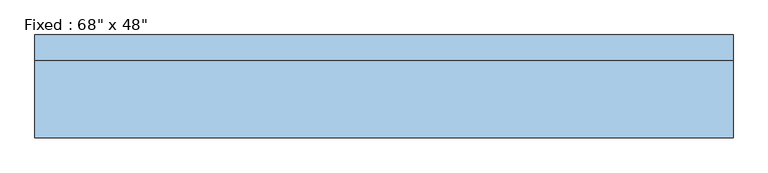
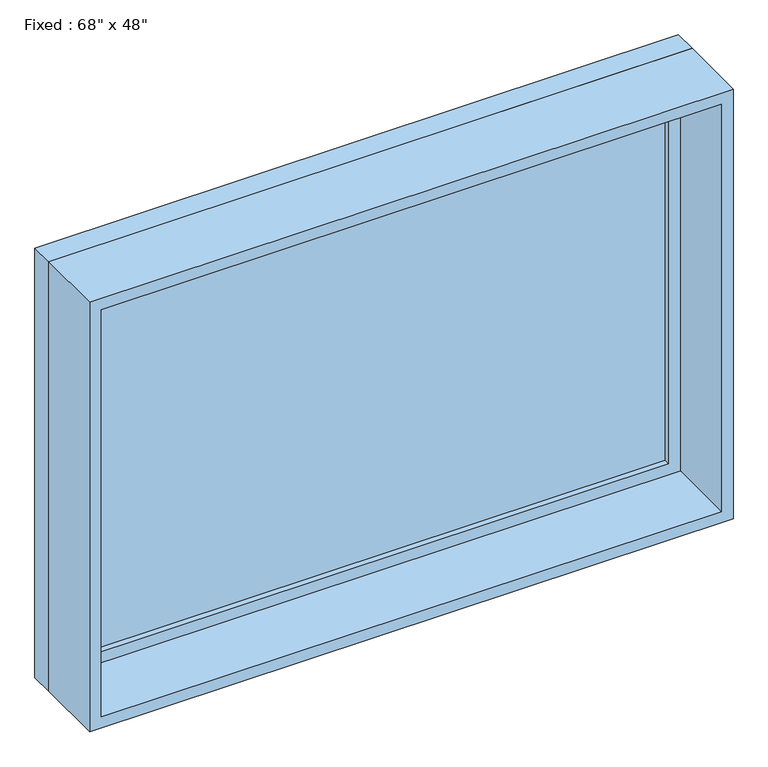
"""IFC4 building model written with IfcOpenShell, lengths in millimetres: window geometry."""

import ifcopenshell
import ifcopenshell.guid

model = None  # the IFC model being written
_history = None  # IfcOwnerHistory: only IFC2X3 demands one
_inside = {}  # id of a spatial element -> (the spatial element, [elements in it])
_under = {}  # id of a project, library or spatial element -> (it, [spatial elements below it])
_declared = {}  # id of a project -> (the project, [libraries it declares])
_typed = {}  # id of a type object -> (the type object, [elements of that type])
_made_of = {}  # id of a material, layer set ... -> (it, [elements and type objects made of it])


def new_model(schema):
    """Start an empty IFC model of exactly this schema.

    Asked for "IFC4X3", IfcOpenShell would pick the latest addendum, in which some entities
    have other attributes; the version numbers below select the first issue.
    IFC2X3 requires an IfcOwnerHistory on every rooted entity: one is made here for all.
    """
    global model, _history
    if schema == "IFC4X3":
        model = ifcopenshell.file(schema_version=(4, 3, 0, 0))
    else:
        model = ifcopenshell.file(schema=schema)
    _inside.clear()
    _under.clear()
    _declared.clear()
    _typed.clear()
    _made_of.clear()
    _history = None
    if model.schema == "IFC2X3":
        org = make("IfcOrganization", Name="unknown")
        user = make(
            "IfcPersonAndOrganization",
            ThePerson=make("IfcPerson", FamilyName="unknown"),
            TheOrganization=org,
        )
        app = make(
            "IfcApplication",
            ApplicationDeveloper=org,
            Version="unknown",
            ApplicationFullName="unknown",
            ApplicationIdentifier="unknown",
        )
        _history = make(
            "IfcOwnerHistory",
            OwningUser=user,
            OwningApplication=app,
            ChangeAction="ADDED",
            CreationDate=0,
        )
    return model


def make(cls, **values):
    """One entity of the class cls with the attributes given. An attribute that is None is left unset."""
    return model.create_entity(
        cls, **{name: value for name, value in values.items() if value is not None}
    )


def rooted(cls, **values):
    """An entity with a GlobalId (a new one), such as an element, a storey or a relation."""
    return make(cls, GlobalId=ifcopenshell.guid.new(), OwnerHistory=_history, **values)


def si_unit(unit_type, name, prefix=None):
    """IfcSIUnit, for example si_unit("LENGTHUNIT", "METRE", prefix="MILLI")."""
    return make("IfcSIUnit", UnitType=unit_type, Prefix=prefix, Name=name)


def assignment(units):
    """IfcUnitAssignment: the units of a project."""
    return None if units is None else make("IfcUnitAssignment", Units=units)


def point(xyz):
    """IfcCartesianPoint."""
    return None if xyz is None else make("IfcCartesianPoint", Coordinates=xyz)


def direction(xyz):
    """IfcDirection."""
    return None if xyz is None else make("IfcDirection", DirectionRatios=xyz)


def frame(location, z_axis=None, x_axis=None):
    """IfcAxis2Placement3D, a coordinate frame: its origin and axes. An axis left out is left unset."""
    return make(
        "IfcAxis2Placement3D",
        Location=point(location),
        Axis=direction(z_axis),
        RefDirection=direction(x_axis),
    )


def origin():
    """The frame at (0, 0, 0) with its axes left unset."""
    return frame((0.0, 0.0, 0.0))


def place(relative_to, where):
    """IfcLocalPlacement: puts the frame where relative to a parent placement (None: the world)."""
    return make(
        "IfcLocalPlacement", PlacementRelTo=relative_to, RelativePlacement=where
    )


def context(
    kind, dimensions, precision=None, world=None, true_north=None, identifier=None
):
    """IfcGeometricRepresentationContext, for example the 3D "Model" context."""
    return make(
        "IfcGeometricRepresentationContext",
        ContextIdentifier=identifier,
        ContextType=kind,
        CoordinateSpaceDimension=dimensions,
        Precision=precision,
        WorldCoordinateSystem=world,
        TrueNorth=true_north,
    )


def project(units=None, contexts=None):
    """IfcProject with its units and contexts."""
    return rooted(
        "IfcProject",
        Name="project",
        RepresentationContexts=contexts,
        UnitsInContext=assignment(units),
    )


def spatial(cls, under=None, at=None, **own):
    """A site, building, storey or space (cls), placed at a placement, below another one or the project."""
    s = rooted(cls, ObjectPlacement=at, **own)
    if under is not None:
        _under.setdefault(under.id(), (under, []))[1].append(s)
    return s


def polyline(points):
    """IfcPolyline through the points."""
    return make("IfcPolyline", Points=[point(p) for p in points])


def outline(outer, holes=None, kind="AREA"):
    """IfcArbitraryClosedProfileDef: a profile drawn as a closed curve; with holes, ...WithVoids."""
    if holes is None:
        return make("IfcArbitraryClosedProfileDef", ProfileType=kind, OuterCurve=outer)
    return make(
        "IfcArbitraryProfileDefWithVoids",
        ProfileType=kind,
        OuterCurve=outer,
        InnerCurves=holes,
    )


def extrude(swept, where, along, depth):
    """IfcExtrudedAreaSolid: the profile swept, set in the frame where, extruded along a direction by depth."""
    return make(
        "IfcExtrudedAreaSolid",
        SweptArea=swept,
        Position=where,
        ExtrudedDirection=direction(along),
        Depth=depth,
    )


def shape(context_of_items, identifier, shape_type, items):
    """IfcShapeRepresentation: the items that make up one representation, for example the "Body"."""
    return make(
        "IfcShapeRepresentation",
        ContextOfItems=context_of_items,
        RepresentationIdentifier=identifier,
        RepresentationType=shape_type,
        Items=items,
    )


def source(mapping_origin, context_of_items, identifier, shape_type, items):
    """IfcRepresentationMap: a shape defined once, which mapped items show again and again."""
    return make(
        "IfcRepresentationMap",
        MappingOrigin=mapping_origin,
        MappedRepresentation=shape(context_of_items, identifier, shape_type, items),
    )


def transform(
    local_origin,
    x_axis=None,
    y_axis=None,
    z_axis=None,
    scale=None,
    scale2=None,
    scale3=None,
    uniform=True,
):
    """IfcCartesianTransformationOperator3D, or its non-uniform kind. x_axis, y_axis, z_axis: its Axis1, 2, 3."""
    if uniform:
        return make(
            "IfcCartesianTransformationOperator3D",
            Axis1=direction(x_axis),
            Axis2=direction(y_axis),
            LocalOrigin=point(local_origin),
            Scale=scale,
            Axis3=direction(z_axis),
        )
    return make(
        "IfcCartesianTransformationOperator3DnonUniform",
        Axis1=direction(x_axis),
        Axis2=direction(y_axis),
        LocalOrigin=point(local_origin),
        Scale=scale,
        Axis3=direction(z_axis),
        Scale2=scale2,
        Scale3=scale3,
    )


def mapped(mapping_source, mapping_target):
    """IfcMappedItem: shows the shape of a source again, moved by a transform."""
    return make(
        "IfcMappedItem", MappingSource=mapping_source, MappingTarget=mapping_target
    )


def made_of(thing, what):
    """Note that an element or type object is made of a material, layer set ...; save() writes the relation."""
    if what is not None:
        _made_of.setdefault(what.id(), (what, []))[1].append(thing)
    return thing


def element(
    cls,
    number,
    at=None,
    inside=None,
    cuts=None,
    type_object=None,
    material=None,
    context=None,
    identifier="Body",
    shape_type=None,
    held_by="IfcProductDefinitionShape",
    body=None,
    shapes=None,
    **own,
):
    """One element of the class cls, such as IfcWall. Its Tag is "e" and its number.

    at: its placement. inside: the storey or other place that contains it. cuts: it is an
    opening in that element (IfcRelVoidsElement). A single representation is given by context,
    identifier, shape_type and body (its items); several are given by shapes. held_by: the class
    of the entity that holds the representations. save() writes the other relations.
    """
    e = rooted(cls, Tag="e%d" % number, ObjectPlacement=at, **own)
    if body is not None:
        shapes = [shape(context, identifier, shape_type, body)]
    if shapes is not None:
        e.Representation = make(held_by, Representations=shapes)
    if inside is not None:
        _inside.setdefault(inside.id(), (inside, []))[1].append(e)
    if cuts is not None:
        rooted(
            "IfcRelVoidsElement", RelatingBuildingElement=cuts, RelatedOpeningElement=e
        )
    if type_object is not None:
        _typed.setdefault(type_object.id(), (type_object, []))[1].append(e)
    return made_of(e, material)


def aggregate(whole, parts):
    """IfcRelAggregates: a whole, such as a stair, and the parts it consists of."""
    return rooted("IfcRelAggregates", RelatingObject=whole, RelatedObjects=parts)


def save(model, path):
    """Write the relations noted so far, then the file.

    IfcRelAggregates (storeys below a building ...), IfcRelContainedInSpatialStructure (elements
    in a storey), IfcRelDefinesByType, IfcRelAssociatesMaterial and IfcRelDeclares: one each for
    every whole, place, type object, material and project.
    """
    for whole, parts in _under.values():
        aggregate(whole, parts)
    for where, things in _inside.values():
        rooted(
            "IfcRelContainedInSpatialStructure",
            RelatedElements=things,
            RelatingStructure=where,
        )
    for kind, things in _typed.values():
        rooted("IfcRelDefinesByType", RelatedObjects=things, RelatingType=kind)
    for what, things in _made_of.values():
        rooted("IfcRelAssociatesMaterial", RelatedObjects=things, RelatingMaterial=what)
    for by, libraries in _declared.values():
        rooted("IfcRelDeclares", RelatingContext=by, RelatedDefinitions=libraries)
    model.write(path)


def window_01d19bfd(model_context):
    return source(origin(), model_context, "Body", "SweptSolid", [
        extrude(outline(polyline([(762.0, 79.375), (-838.2, 79.375), (-838.2, 92.075), (762.0, 92.075), (762.0, 79.375)])), frame((0.0, 0.0, 368.3), z_axis=(0.0, 0.0, 1.0), x_axis=(1.0, 0.0, 0.0)), (0.0, 0.0, 1.0), 1092.2),
        extrude(outline(polyline([(1504.95, -882.65), (323.85, -882.65), (323.85, 806.45), (1504.95, 806.45), (1504.95, -882.65)]), holes=[polyline([(1460.5, -838.2), (1460.5, 762.0), (368.3, 762.0), (368.3, -838.2), (1460.5, -838.2)])]), frame((0.0, 63.5, 0.0), z_axis=(0.0, 1.0, 0.0), x_axis=(0.0, 0.0, 1.0)), (0.0, 0.0, 1.0), 44.45),
        extrude(outline(polyline([(1524.0, -901.7), (304.8, -901.7), (304.8, 825.5), (1524.0, 825.5), (1524.0, -901.7)]), holes=[polyline([(1492.25, -869.95), (1492.25, 793.75), (336.55, 793.75), (336.55, -869.95), (1492.25, -869.95)])]), frame((0.0, -127.0, 0.0), z_axis=(0.0, 1.0, 0.0), x_axis=(0.0, 0.0, 1.0)), (0.0, 0.0, 1.0), 190.5),
        extrude(outline(polyline([(1524.0, 825.5), (1524.0, -901.7), (304.8, -901.7), (304.8, 825.5), (1524.0, 825.5)]), holes=[polyline([(1504.95, 806.45), (323.85, 806.45), (323.85, -882.65), (1504.95, -882.65), (1504.95, 806.45)])]), frame((0.0, 63.5, 0.0), z_axis=(0.0, 1.0, 0.0), x_axis=(0.0, 0.0, 1.0)), (0.0, 0.0, 1.0), 63.5),
    ])


if __name__ == "__main__":
    model = new_model("IFC4")
    model_context = context("Model", 3, world=origin())
    ifc_project = project(units=[si_unit("LENGTHUNIT", "METRE", prefix="MILLI")], contexts=[model_context])
    site = spatial("IfcSite", under=ifc_project)
    building = spatial("IfcBuilding", under=site)
    placement = place(None, origin())
    window_shape = window_01d19bfd(model_context)
    element("IfcWindow", 1, ObjectType="Fixed : 68\" x 48\"", at=placement, inside=building, context=model_context, shape_type="MappedRepresentation", body=[
        mapped(window_shape, transform((0.0, 0.0, 0.0), x_axis=(1.0, 0.0, 0.0), y_axis=(0.0, 1.0, 0.0), z_axis=(0.0, 0.0, 1.0))),
    ])
    save(model, "model.ifc")
